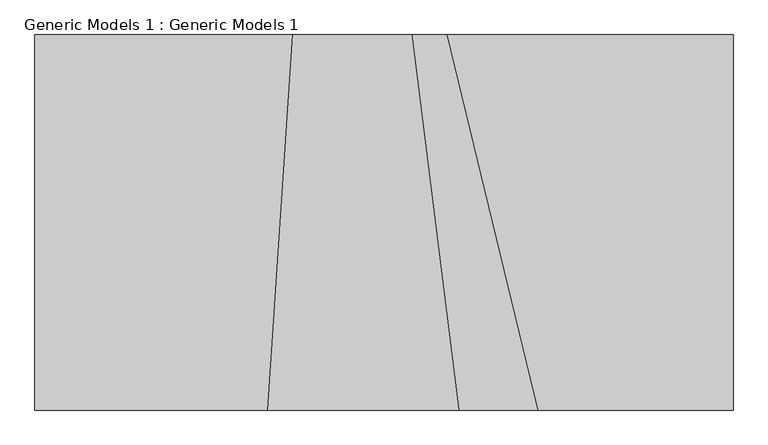
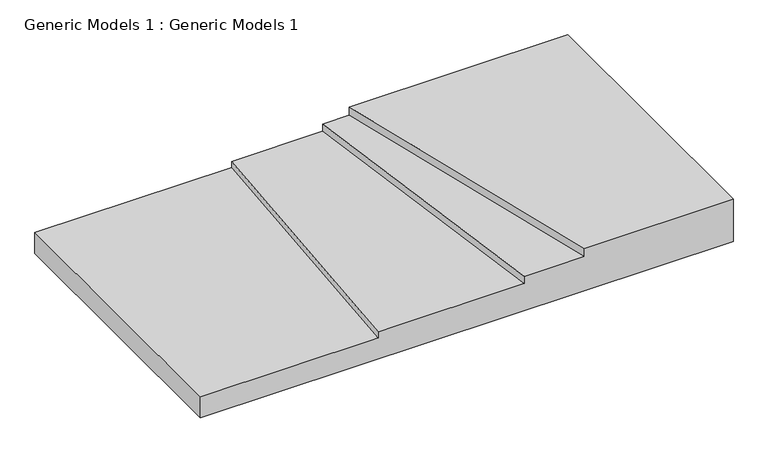
"""IFC4 building model written with IfcOpenShell, lengths in millimetres: proxy geometry, Generic Models 1 : Generic Models 1."""

import ifcopenshell
import ifcopenshell.guid

model = None  # the IFC model being written
_history = None  # IfcOwnerHistory: only IFC2X3 demands one
_inside = {}  # id of a spatial element -> (the spatial element, [elements in it])
_under = {}  # id of a project, library or spatial element -> (it, [spatial elements below it])
_declared = {}  # id of a project -> (the project, [libraries it declares])
_typed = {}  # id of a type object -> (the type object, [elements of that type])
_made_of = {}  # id of a material, layer set ... -> (it, [elements and type objects made of it])


def new_model(schema):
    """Start an empty IFC model of exactly this schema.

    Asked for "IFC4X3", IfcOpenShell would pick the latest addendum, in which some entities
    have other attributes; the version numbers below select the first issue.
    IFC2X3 requires an IfcOwnerHistory on every rooted entity: one is made here for all.
    """
    global model, _history
    if schema == "IFC4X3":
        model = ifcopenshell.file(schema_version=(4, 3, 0, 0))
    else:
        model = ifcopenshell.file(schema=schema)
    _inside.clear()
    _under.clear()
    _declared.clear()
    _typed.clear()
    _made_of.clear()
    _history = None
    if model.schema == "IFC2X3":
        org = make("IfcOrganization", Name="unknown")
        user = make(
            "IfcPersonAndOrganization",
            ThePerson=make("IfcPerson", FamilyName="unknown"),
            TheOrganization=org,
        )
        app = make(
            "IfcApplication",
            ApplicationDeveloper=org,
            Version="unknown",
            ApplicationFullName="unknown",
            ApplicationIdentifier="unknown",
        )
        _history = make(
            "IfcOwnerHistory",
            OwningUser=user,
            OwningApplication=app,
            ChangeAction="ADDED",
            CreationDate=0,
        )
    return model


def make(cls, **values):
    """One entity of the class cls with the attributes given. An attribute that is None is left unset."""
    return model.create_entity(
        cls, **{name: value for name, value in values.items() if value is not None}
    )


def rooted(cls, **values):
    """An entity with a GlobalId (a new one), such as an element, a storey or a relation."""
    return make(cls, GlobalId=ifcopenshell.guid.new(), OwnerHistory=_history, **values)


def si_unit(unit_type, name, prefix=None):
    """IfcSIUnit, for example si_unit("LENGTHUNIT", "METRE", prefix="MILLI")."""
    return make("IfcSIUnit", UnitType=unit_type, Prefix=prefix, Name=name)


def assignment(units):
    """IfcUnitAssignment: the units of a project."""
    return None if units is None else make("IfcUnitAssignment", Units=units)


def point(xyz):
    """IfcCartesianPoint."""
    return None if xyz is None else make("IfcCartesianPoint", Coordinates=xyz)


def direction(xyz):
    """IfcDirection."""
    return None if xyz is None else make("IfcDirection", DirectionRatios=xyz)


def frame(location, z_axis=None, x_axis=None):
    """IfcAxis2Placement3D, a coordinate frame: its origin and axes. An axis left out is left unset."""
    return make(
        "IfcAxis2Placement3D",
        Location=point(location),
        Axis=direction(z_axis),
        RefDirection=direction(x_axis),
    )


def origin():
    """The frame at (0, 0, 0) with its axes left unset."""
    return frame((0.0, 0.0, 0.0))


def place(relative_to, where):
    """IfcLocalPlacement: puts the frame where relative to a parent placement (None: the world)."""
    return make(
        "IfcLocalPlacement", PlacementRelTo=relative_to, RelativePlacement=where
    )


def context(
    kind, dimensions, precision=None, world=None, true_north=None, identifier=None
):
    """IfcGeometricRepresentationContext, for example the 3D "Model" context."""
    return make(
        "IfcGeometricRepresentationContext",
        ContextIdentifier=identifier,
        ContextType=kind,
        CoordinateSpaceDimension=dimensions,
        Precision=precision,
        WorldCoordinateSystem=world,
        TrueNorth=true_north,
    )


def project(units=None, contexts=None):
    """IfcProject with its units and contexts."""
    return rooted(
        "IfcProject",
        Name="project",
        RepresentationContexts=contexts,
        UnitsInContext=assignment(units),
    )


def spatial(cls, under=None, at=None, **own):
    """A site, building, storey or space (cls), placed at a placement, below another one or the project."""
    s = rooted(cls, ObjectPlacement=at, **own)
    if under is not None:
        _under.setdefault(under.id(), (under, []))[1].append(s)
    return s


def faces_of(points, faces, orient=None, outer=None):
    """IfcFace entities. A face is a list of loops; a loop is a list of indices into points, from 0.

    orient and outer hold one flag for each loop. By default every Orientation is true, the
    first loop of a face is its IfcFaceOuterBound and the others are IfcFaceBound.
    """
    made = []
    for i, loops in enumerate(faces):
        bounds = []
        for j, loop in enumerate(loops):
            is_outer = j == 0 if outer is None else outer[i][j]
            bounds.append(
                make(
                    "IfcFaceOuterBound" if is_outer else "IfcFaceBound",
                    Bound=make("IfcPolyLoop", Polygon=[points[k] for k in loop]),
                    Orientation=True if orient is None else orient[i][j],
                )
            )
        made.append(make("IfcFace", Bounds=bounds))
    return made


def faceted_brep(points, faces, orient=None, outer=None, voids=None):
    """IfcFacetedBrep: a solid bounded by flat faces; with voids (closed shells), ...WithVoids."""
    shared = [point(p) for p in points]
    hull = make("IfcClosedShell", CfsFaces=faces_of(shared, faces, orient, outer))
    if voids is None:
        return make("IfcFacetedBrep", Outer=hull)
    return make(
        "IfcFacetedBrepWithVoids",
        Outer=hull,
        Voids=[
            make(cls, CfsFaces=faces_of(shared, fs, o, b)) for cls, fs, o, b in voids
        ],
    )


def shape(context_of_items, identifier, shape_type, items):
    """IfcShapeRepresentation: the items that make up one representation, for example the "Body"."""
    return make(
        "IfcShapeRepresentation",
        ContextOfItems=context_of_items,
        RepresentationIdentifier=identifier,
        RepresentationType=shape_type,
        Items=items,
    )


def source(mapping_origin, context_of_items, identifier, shape_type, items):
    """IfcRepresentationMap: a shape defined once, which mapped items show again and again."""
    return make(
        "IfcRepresentationMap",
        MappingOrigin=mapping_origin,
        MappedRepresentation=shape(context_of_items, identifier, shape_type, items),
    )


def transform(
    local_origin,
    x_axis=None,
    y_axis=None,
    z_axis=None,
    scale=None,
    scale2=None,
    scale3=None,
    uniform=True,
):
    """IfcCartesianTransformationOperator3D, or its non-uniform kind. x_axis, y_axis, z_axis: its Axis1, 2, 3."""
    if uniform:
        return make(
            "IfcCartesianTransformationOperator3D",
            Axis1=direction(x_axis),
            Axis2=direction(y_axis),
            LocalOrigin=point(local_origin),
            Scale=scale,
            Axis3=direction(z_axis),
        )
    return make(
        "IfcCartesianTransformationOperator3DnonUniform",
        Axis1=direction(x_axis),
        Axis2=direction(y_axis),
        LocalOrigin=point(local_origin),
        Scale=scale,
        Axis3=direction(z_axis),
        Scale2=scale2,
        Scale3=scale3,
    )


def mapped(mapping_source, mapping_target):
    """IfcMappedItem: shows the shape of a source again, moved by a transform."""
    return make(
        "IfcMappedItem", MappingSource=mapping_source, MappingTarget=mapping_target
    )


def made_of(thing, what):
    """Note that an element or type object is made of a material, layer set ...; save() writes the relation."""
    if what is not None:
        _made_of.setdefault(what.id(), (what, []))[1].append(thing)
    return thing


def element(
    cls,
    number,
    at=None,
    inside=None,
    cuts=None,
    type_object=None,
    material=None,
    context=None,
    identifier="Body",
    shape_type=None,
    held_by="IfcProductDefinitionShape",
    body=None,
    shapes=None,
    **own,
):
    """One element of the class cls, such as IfcWall. Its Tag is "e" and its number.

    at: its placement. inside: the storey or other place that contains it. cuts: it is an
    opening in that element (IfcRelVoidsElement). A single representation is given by context,
    identifier, shape_type and body (its items); several are given by shapes. held_by: the class
    of the entity that holds the representations. save() writes the other relations.
    """
    e = rooted(cls, Tag="e%d" % number, ObjectPlacement=at, **own)
    if body is not None:
        shapes = [shape(context, identifier, shape_type, body)]
    if shapes is not None:
        e.Representation = make(held_by, Representations=shapes)
    if inside is not None:
        _inside.setdefault(inside.id(), (inside, []))[1].append(e)
    if cuts is not None:
        rooted(
            "IfcRelVoidsElement", RelatingBuildingElement=cuts, RelatedOpeningElement=e
        )
    if type_object is not None:
        _typed.setdefault(type_object.id(), (type_object, []))[1].append(e)
    return made_of(e, material)


def aggregate(whole, parts):
    """IfcRelAggregates: a whole, such as a stair, and the parts it consists of."""
    return rooted("IfcRelAggregates", RelatingObject=whole, RelatedObjects=parts)


def save(model, path):
    """Write the relations noted so far, then the file.

    IfcRelAggregates (storeys below a building ...), IfcRelContainedInSpatialStructure (elements
    in a storey), IfcRelDefinesByType, IfcRelAssociatesMaterial and IfcRelDeclares: one each for
    every whole, place, type object, material and project.
    """
    for whole, parts in _under.values():
        aggregate(whole, parts)
    for where, things in _inside.values():
        rooted(
            "IfcRelContainedInSpatialStructure",
            RelatedElements=things,
            RelatingStructure=where,
        )
    for kind, things in _typed.values():
        rooted("IfcRelDefinesByType", RelatedObjects=things, RelatingType=kind)
    for what, things in _made_of.values():
        rooted("IfcRelAssociatesMaterial", RelatedObjects=things, RelatingMaterial=what)
    for by, libraries in _declared.values():
        rooted("IfcRelDeclares", RelatingContext=by, RelatedDefinitions=libraries)
    model.write(path)


def generic_models_1_generic_models_1_7b08eb69(model_context):
    return source(origin(), model_context, "Body", "Brep", [
        faceted_brep([(20725.5654076, -11239.2749498, 0.0), (20725.5654076, 11260.7250502, 0.0), (3589.2553246, 11260.7250502, 0.0), (9043.1985423, -11239.2749498, 0.0), (-21094.7196686, 11260.7250502, -3540.6414795), (20725.5654076, 11260.7250502, -3540.6414795), (20725.5654076, -11239.2749498, -3540.6414795), (-21094.7196686, -11239.2749498, -3540.6414795), (-21094.7196686, -11239.2749498, -1780.0), (-21094.7196686, 11260.7250502, -1780.0), (9043.1985423, -11239.2749498, -680.0), (4327.3344752, -11239.2749498, -680.0), (4327.3344752, -11239.2749498, -1280.0), (-7146.28095, -11239.2749498, -1280.0), (-7146.28095, -11239.2749498, -1780.0), (-5659.0204325, 11260.7250502, -1780.0), (-5659.0204325, 11260.7250502, -1280.0), (1493.8883005, 11260.7250502, -1280.0), (1493.8883005, 11260.7250502, -680.0), (3589.2553246, 11260.7250502, -680.0)], [[[0, 1, 2, 3]], [[4, 5, 6, 7]], [[4, 7, 8, 9]], [[7, 6, 0, 3, 10, 11, 12, 13, 14, 8]], [[1, 0, 6, 5]], [[5, 4, 9, 15, 16, 17, 18, 19, 2, 1]], [[14, 15, 9, 8]], [[15, 14, 13, 16]], [[12, 17, 16, 13]], [[17, 12, 11, 18]], [[10, 19, 18, 11]], [[19, 10, 3, 2]]]),
    ])


if __name__ == "__main__":
    model = new_model("IFC4")
    model_context = context("Model", 3, world=origin())
    ifc_project = project(units=[si_unit("LENGTHUNIT", "METRE", prefix="MILLI")], contexts=[model_context])
    site = spatial("IfcSite", under=ifc_project)
    building = spatial("IfcBuilding", under=site)
    placement = place(None, origin())
    generic_models_1_generic_models_1_shape = generic_models_1_generic_models_1_7b08eb69(model_context)
    element("IfcBuildingElementProxy", 1, Name="Generic Models 1 : Generic Models 1", ObjectType="Generic Models 1 : Generic Models 1", at=placement, inside=building, context=model_context, shape_type="MappedRepresentation", body=[
        mapped(generic_models_1_generic_models_1_shape, transform((0.0, 0.0, 0.0), x_axis=(1.0, 0.0, 0.0), y_axis=(0.0, 1.0, 0.0), z_axis=(0.0, 0.0, 1.0))),
    ])
    save(model, "model.ifc")
